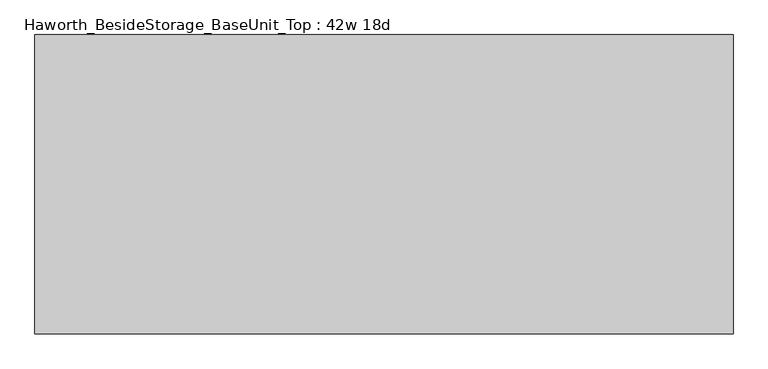
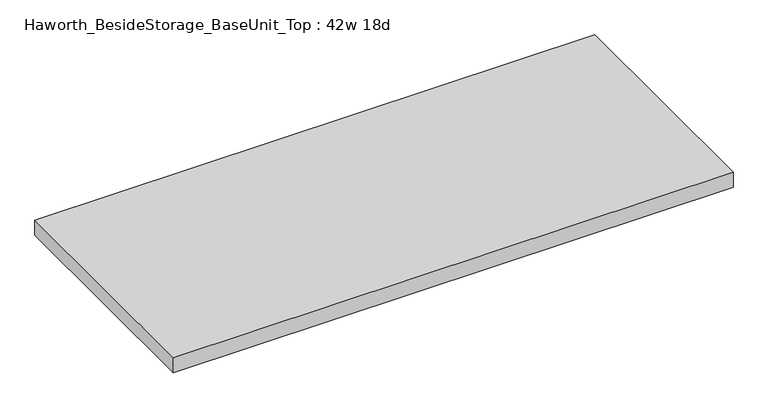
"""IFC4 building model written with IfcOpenShell, lengths in millimetres: furniture geometry, Haworth_BesideStorage_BaseUnit_Top : 42w 18d."""

from ifc_helpers import new_model, si_unit, frame, origin, place, context, project, spatial, polyline, outline, extrude, source, transform, mapped, element, save


def haworth_besidestorage_baseunit_top_42w_18d_2fe4cc1c(model_context):
    return source(origin(), model_context, "Body", "SweptSolid", [
        extrude(outline(polyline([(533.4, 228.6), (533.4, -228.6), (-533.4, -228.6), (-533.4, 228.6), (533.4, 228.6)])), frame((0.0, 0.0, 706.4375), z_axis=(0.0, 0.0, 1.0), x_axis=(1.0, 0.0, 0.0)), (0.0, 0.0, 1.0), 30.1625),
    ])


if __name__ == "__main__":
    model = new_model("IFC4")
    model_context = context("Model", 3, world=origin())
    ifc_project = project(units=[si_unit("LENGTHUNIT", "METRE", prefix="MILLI")], contexts=[model_context])
    site = spatial("IfcSite", under=ifc_project)
    building = spatial("IfcBuilding", under=site)
    placement = place(None, origin())
    haworth_besidestorage_baseunit_top_42w_18d_shape = haworth_besidestorage_baseunit_top_42w_18d_2fe4cc1c(model_context)
    element("IfcFurniture", 1, ObjectType="Haworth_BesideStorage_BaseUnit_Top : 42w 18d", at=placement, inside=building, context=model_context, shape_type="MappedRepresentation", body=[
        mapped(haworth_besidestorage_baseunit_top_42w_18d_shape, transform((0.0, 0.0, 0.0), x_axis=(1.0, 0.0, 0.0), y_axis=(0.0, 1.0, 0.0), z_axis=(0.0, 0.0, 1.0))),
    ])
    save(model, "model.ifc")
